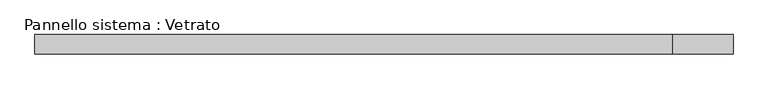
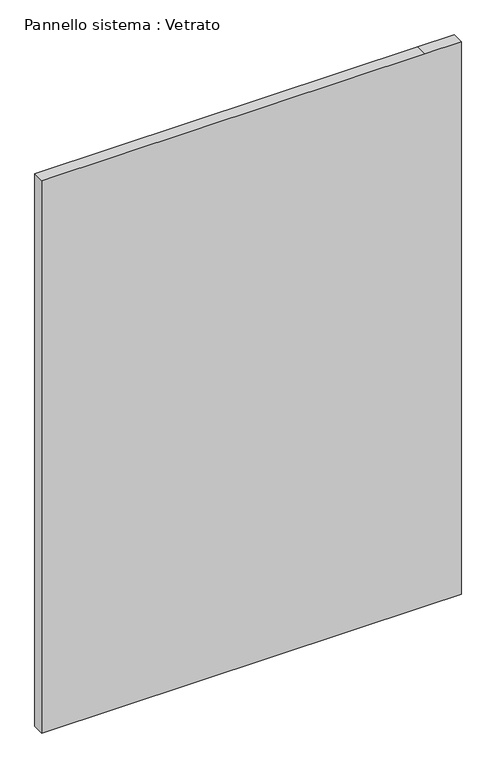
"""IFC4 building model written with IfcOpenShell, lengths in millimetres: plate geometry, Pannello sistema : Vetrato."""

from ifc_helpers import new_model, si_unit, frame, origin, place, context, project, spatial, polyline, outline, extrude, source, transform, mapped, element, save


def pannello_sistema_vetrato_af60f747(model_context):
    return source(origin(), model_context, "Body", "SweptSolid", [
        extrude(outline(polyline([(0.0, -539.2156327), (0.0, 445.7843673), (0.0, 539.2156327), (1500.0, 539.2156327), (1500.0, 445.7843673), (1500.0, -539.2156327), (0.0, -539.2156327)])), frame((0.0, -15.0, 0.0), z_axis=(0.0, 1.0, 0.0), x_axis=(0.0, 0.0, 1.0)), (0.0, 0.0, 1.0), 30.0),
    ])


if __name__ == "__main__":
    model = new_model("IFC4")
    model_context = context("Model", 3, world=origin())
    ifc_project = project(units=[si_unit("LENGTHUNIT", "METRE", prefix="MILLI")], contexts=[model_context])
    site = spatial("IfcSite", under=ifc_project)
    building = spatial("IfcBuilding", under=site)
    placement = place(None, origin())
    pannello_sistema_vetrato_shape = pannello_sistema_vetrato_af60f747(model_context)
    element("IfcPlate", 1, ObjectType="Pannello sistema : Vetrato", at=placement, inside=building, context=model_context, shape_type="MappedRepresentation", body=[
        mapped(pannello_sistema_vetrato_shape, transform((0.0, 0.0, 0.0), x_axis=(1.0, 0.0, 0.0), y_axis=(0.0, 1.0, 0.0), z_axis=(0.0, 0.0, 1.0))),
    ])
    save(model, "model.ifc")
